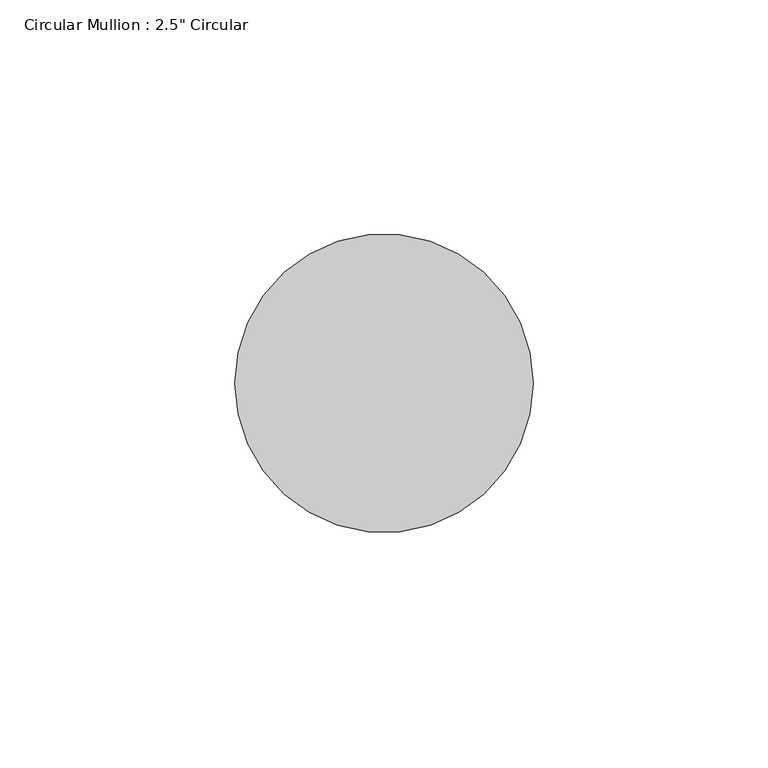
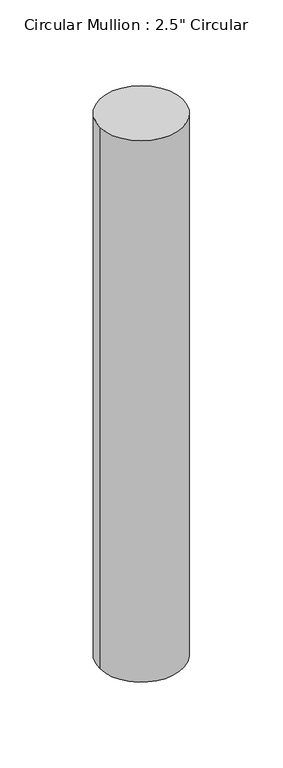
"""IFC4 building model written with IfcOpenShell, lengths in millimetres: member geometry."""

from ifc_helpers import new_model, si_unit, point, frame, origin, origin_2d, place, context, project, spatial, circle_curve, trimmed, segment, composite_curve, outline, extrude, source, transform, mapped, element, save


def member_e3906bdf(model_context):
    return source(origin(), model_context, "Body", "SweptSolid", [
        extrude(outline(composite_curve([segment(trimmed(circle_curve(origin_2d(), 31.75), [point((31.75, 0.0))], [point((-31.75, 0.0))], False, "CARTESIAN"), True, "CONTINUOUS"), segment(trimmed(circle_curve(origin_2d(), 31.75), [point((-31.75, 0.0))], [point((31.75, 0.0))], False, "CARTESIAN"), True, "CONTINUOUS")], self_intersect=False)), frame((0.0, 0.0, -436.5), z_axis=(0.0, 0.0, 1.0), x_axis=(1.0, 0.0, 0.0)), (0.0, 0.0, 1.0), 436.5),
    ])


if __name__ == "__main__":
    model = new_model("IFC4")
    model_context = context("Model", 3, world=origin())
    ifc_project = project(units=[si_unit("LENGTHUNIT", "METRE", prefix="MILLI")], contexts=[model_context])
    site = spatial("IfcSite", under=ifc_project)
    building = spatial("IfcBuilding", under=site)
    placement = place(None, origin())
    member_shape = member_e3906bdf(model_context)
    element("IfcMember", 1, ObjectType="Circular Mullion : 2.5\" Circular", at=placement, inside=building, context=model_context, shape_type="MappedRepresentation", body=[
        mapped(member_shape, transform((0.0, 0.0, 0.0), x_axis=(1.0, 0.0, 0.0), y_axis=(0.0, 1.0, 0.0), z_axis=(0.0, 0.0, 1.0))),
    ])
    save(model, "model.ifc")
